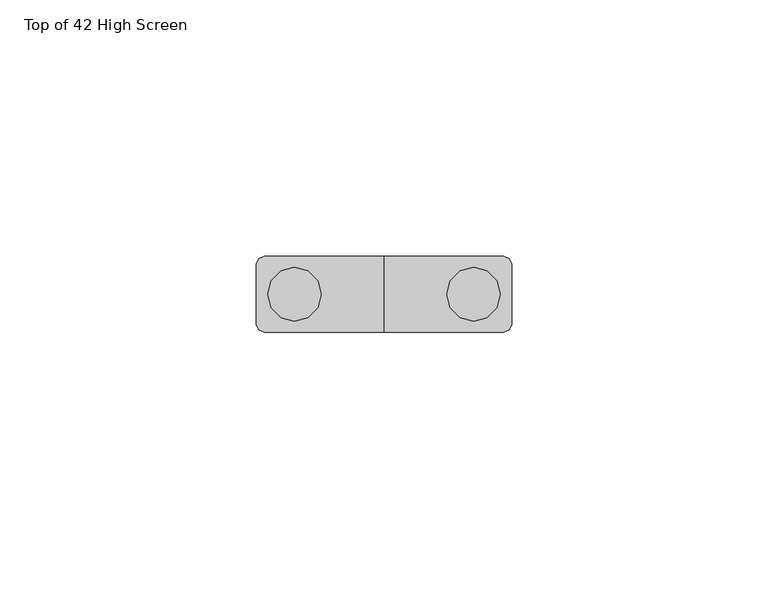
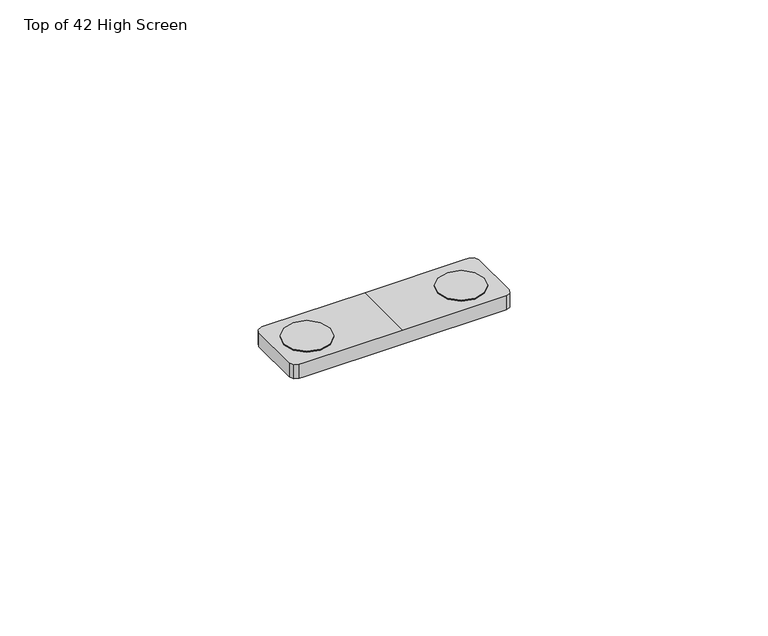
"""IFC4 building model written with IfcOpenShell, lengths in millimetres: furniture geometry, Top of 42 High Screen."""

from ifc_helpers import new_model, si_unit, origin, place, context, project, spatial, faceted_brep, source, transform, mapped, element, save


def top_of_42_high_screen_315c2303(model_context):
    return source(origin(), model_context, "Body", "Brep", [
        faceted_brep([(22.3537534, -7.4000003, 1055.0350949), (0.0, -7.4000003, 1055.0350949), (-22.3537534, -7.4000003, 1055.0350949), (-23.4012694, -7.4000003, 1055.0350949), (-23.4012694, -7.4000003, 1051.6841003), (-22.3537534, -7.4000003, 1051.6841003), (22.3537534, -7.4000003, 1051.6841003), (23.4012694, -7.4000003, 1051.6841003), (23.4012694, -7.4000003, 1055.0350949), (23.4012694, 7.4000003, 1051.6841003), (22.3537534, 7.4000003, 1051.6841003), (-22.3537534, 7.4000003, 1051.6841003), (-23.4012694, 7.4000003, 1051.6841003), (-23.4012694, 7.4000003, 1055.0350949), (-22.3537534, 7.4000003, 1055.0350949), (0.0, 7.4000003, 1055.0350949), (22.3537534, 7.4000003, 1055.0350949), (23.4012694, 7.4000003, 1055.0350949), (-24.4619302, -6.9606602, 1051.6841003), (-24.9012689, -5.9000026, 1051.6841003), (-24.9012689, 5.9000026, 1051.6841003), (-24.4619302, 6.9606602, 1051.6841003), (24.4619302, 6.9606602, 1051.6841003), (24.9012689, 5.9000026, 1051.6841003), (24.9012689, -5.9000026, 1051.6841003), (24.4619302, -6.9606602, 1051.6841003), (24.9012689, 5.9000026, 1055.0350949), (24.9012689, -5.9000026, 1055.0350949), (24.4619302, -6.9606602, 1055.0350949), (24.4619302, 6.9606602, 1055.0350949), (20.0887697, -4.5466332, 1055.0350949), (17.4637698, -5.2499998, 1055.0350949), (14.8387699, -4.5466332, 1055.0350949), (12.9171372, -2.6249999, 1055.0350949), (12.2137701, 0.0, 1055.0350949), (12.9171372, 2.6249999, 1055.0350949), (14.8387699, 4.5466332, 1055.0350949), (17.4637698, 5.2499998, 1055.0350949), (20.0887697, 4.5466332, 1055.0350949), (22.0104025, 2.6249999, 1055.0350949), (22.7137707, 0.0, 1055.0350949), (22.0104025, -2.6249999, 1055.0350949), (17.4637698, -5.2499998, 1055.2938), (20.0887697, -4.5466332, 1055.2938), (22.0104025, -2.6249999, 1055.2938), (22.7137707, 0.0, 1055.2938), (22.0104025, 2.6249999, 1055.2938), (20.0887697, 4.5466332, 1055.2938), (17.4637698, 5.2499998, 1055.2938), (14.8387699, 4.5466332, 1055.2938), (12.9171372, 2.6249999, 1055.2938), (12.2137701, 0.0, 1055.2938), (12.9171372, -2.6249999, 1055.2938), (14.8387699, -4.5466332, 1055.2938), (-17.4637698, -5.2499998, 1055.2938), (-14.8387699, -4.5466332, 1055.2938), (-12.9171372, -2.6249999, 1055.2938), (-12.2137701, 0.0, 1055.2938), (-12.9171372, 2.6249999, 1055.2938), (-14.8387699, 4.5466332, 1055.2938), (-17.4637698, 5.2499998, 1055.2938), (-20.0887697, 4.5466332, 1055.2938), (-22.0104025, 2.6249999, 1055.2938), (-22.7137707, 0.0, 1055.2938), (-22.0104025, -2.6249999, 1055.2938), (-20.0887697, -4.5466332, 1055.2938), (-24.4619302, 6.9606602, 1055.0350949), (-24.9012689, 5.9000026, 1055.0350949), (-24.9012689, -5.9000026, 1055.0350949), (-24.4619302, -6.9606602, 1055.0350949), (-14.8387699, -4.5466332, 1055.0350949), (-17.4637698, -5.2499998, 1055.0350949), (-20.0887697, -4.5466332, 1055.0350949), (-22.0104025, -2.6249999, 1055.0350949), (-22.7137707, 0.0, 1055.0350949), (-22.0104025, 2.6249999, 1055.0350949), (-20.0887697, 4.5466332, 1055.0350949), (-17.4637698, 5.2499998, 1055.0350949), (-14.8387699, 4.5466332, 1055.0350949), (-12.9171372, 2.6249999, 1055.0350949), (-12.2137701, 0.0, 1055.0350949), (-12.9171372, -2.6249999, 1055.0350949)], [[[0, 1, 2, 3, 4, 5, 6, 7, 8]], [[9, 10, 11, 12, 13, 14, 15, 16, 17]], [[7, 6, 5, 4, 18, 19, 20, 21, 12, 11, 10, 9, 22, 23, 24, 25]], [[24, 23, 26, 27]], [[15, 1, 0, 8, 28, 27, 26, 29, 17, 16], [30, 31, 32, 33, 34, 35, 36, 37, 38, 39, 40, 41]], [[29, 22, 9, 17]], [[22, 29, 26, 23]], [[28, 25, 24, 27]], [[25, 28, 8, 7]], [[42, 43, 44, 45, 46, 47, 48, 49, 50, 51, 52, 53]], [[54, 55, 56, 57, 58, 59, 60, 61, 62, 63, 64, 65]], [[43, 42, 31, 30]], [[44, 43, 30, 41]], [[45, 44, 41, 40]], [[46, 45, 40, 39]], [[47, 46, 39, 38]], [[48, 47, 38, 37]], [[49, 48, 37, 36]], [[50, 49, 36, 35]], [[51, 50, 35, 34]], [[52, 51, 34, 33]], [[53, 52, 33, 32]], [[42, 53, 32, 31]], [[1, 15, 14, 13, 66, 67, 68, 69, 3, 2], [70, 71, 72, 73, 74, 75, 76, 77, 78, 79, 80, 81]], [[20, 19, 68, 67]], [[55, 54, 71, 70]], [[56, 55, 70, 81]], [[57, 56, 81, 80]], [[58, 57, 80, 79]], [[59, 58, 79, 78]], [[60, 59, 78, 77]], [[61, 60, 77, 76]], [[62, 61, 76, 75]], [[63, 62, 75, 74]], [[64, 63, 74, 73]], [[65, 64, 73, 72]], [[54, 65, 72, 71]], [[66, 21, 20, 67]], [[21, 66, 13, 12]], [[69, 18, 4, 3]], [[18, 69, 68, 19]]]),
    ])


if __name__ == "__main__":
    model = new_model("IFC4")
    model_context = context("Model", 3, world=origin())
    ifc_project = project(units=[si_unit("LENGTHUNIT", "METRE", prefix="MILLI")], contexts=[model_context])
    site = spatial("IfcSite", under=ifc_project)
    building = spatial("IfcBuilding", under=site)
    placement = place(None, origin())
    top_of_42_high_screen_shape = top_of_42_high_screen_315c2303(model_context)
    element("IfcFurniture", 1, ObjectType="Top of 42 High Screen", at=placement, inside=building, context=model_context, shape_type="MappedRepresentation", body=[
        mapped(top_of_42_high_screen_shape, transform((0.0, 0.0, 0.0), x_axis=(1.0, 0.0, 0.0), y_axis=(0.0, 1.0, 0.0), z_axis=(0.0, 0.0, 1.0))),
    ])
    save(model, "model.ifc")
